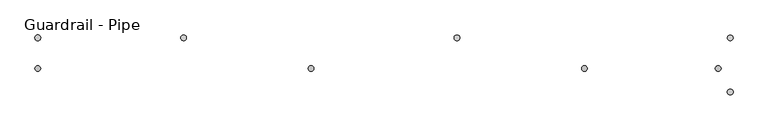
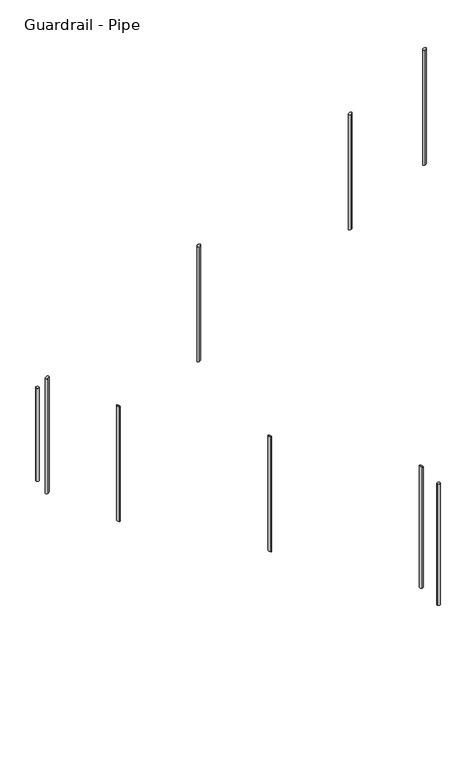
"""IFC4 building model written with IfcOpenShell, lengths in millimetres: railing geometry, Guardrail - Pipe."""

from ifc_helpers import new_model, si_unit, point, frame, frame_2d, origin, place, context, project, spatial, circle_curve, ellipse_curve, trimmed, segment, composite_curve, outline, extrude, source, transform, mapped, element, save
from ifc_brep_helpers import plane_surface, cylinder_surface, advanced_brep


def guardrail_pipe_45b67d8b(model_context):
    return source(origin(), model_context, "Body", "SolidModel", [
        advanced_brep(
        [(-11206.6112561, 2649.7404418, 8295.9949055), (-11206.6112561, 2624.3404418, 8295.9949055), (-11206.6112561, 2624.3404418, 7322.7843071), (-11206.6112561, 2649.7404418, 7322.7843071)],
        [
            (0, 1, ellipse_curve(frame((-11206.6112561, 2637.0404418, 8295.9949055), z_axis=(0.49465847024286946, 0.0, -0.8690874511906063), x_axis=(0.8690874511906064, 0.0, 0.49465847024286896)), 14.6130289, 12.7)),
            (1, 2),
            (2, 3, ellipse_curve(frame((-11206.6112561, 2637.0404418, 7322.7843071), z_axis=(-0.4946584702428729, 0.0, 0.8690874511906043), x_axis=(0.8690874511906043, 0.0, 0.4946584702428727)), 14.6130289, 12.7)),
            (3, 0),
            (3, 2, ellipse_curve(frame((-11206.6112561, 2637.0404418, 7322.7843071), z_axis=(-0.4946584702428729, 0.0, 0.8690874511906043), x_axis=(0.8690874511906043, 0.0, 0.4946584702428727)), 14.6130289, 12.7)),
            (1, 0, ellipse_curve(frame((-11206.6112561, 2637.0404418, 8295.9949055), z_axis=(0.49465847024286946, 0.0, -0.8690874511906063), x_axis=(0.8690874511906064, 0.0, 0.49465847024286896)), 14.6130289, 12.7)),
        ],
        [
            cylinder_surface(frame((-11206.6112561, 2637.0404418, 7094.1843071), z_axis=(0.0, 0.0, 1.0), x_axis=(0.0, -1.0, 0.0)), 12.7),
            plane_surface(frame((-11181.2112561, 2611.6404418, 8310.4518225), z_axis=(-0.49465847024286946, 0.0, 0.8690874511906063), x_axis=(0.0, 1.0, 0.0))),
            plane_surface(frame((-11232.0112561, 2611.6404418, 7308.3273901), z_axis=(0.4946584702428729, 0.0, -0.8690874511906043), x_axis=(0.0, 1.0, 0.0))),
        ],
        [
            (0, [[1, 2, 3, 4]]),
            (0, [[5, -2, 6, -4]]),
            (1, [[-6, -1]]),
            (2, [[-5, -3]]),
        ],
    ),
        advanced_brep(
        [(-12425.8112561, 2649.7404418, 7602.0628897), (-12425.8112561, 2624.3404418, 7602.0628897), (-12425.8112561, 2624.3404418, 6628.8522913), (-12425.8112561, 2649.7404418, 6628.8522913)],
        [
            (0, 1, ellipse_curve(frame((-12425.8112561, 2637.0404418, 7602.0628897), z_axis=(0.49465847024286946, 0.0, -0.8690874511906063), x_axis=(0.8690874511906064, 0.0, 0.49465847024286896)), 14.6130289, 12.7)),
            (1, 2),
            (2, 3, ellipse_curve(frame((-12425.8112561, 2637.0404418, 6628.8522913), z_axis=(-0.4946584702428729, 0.0, 0.8690874511906043), x_axis=(0.8690874511906043, 0.0, 0.4946584702428727)), 14.6130289, 12.7)),
            (3, 0),
            (3, 2, ellipse_curve(frame((-12425.8112561, 2637.0404418, 6628.8522913), z_axis=(-0.4946584702428729, 0.0, 0.8690874511906043), x_axis=(0.8690874511906043, 0.0, 0.4946584702428727)), 14.6130289, 12.7)),
            (1, 0, ellipse_curve(frame((-12425.8112561, 2637.0404418, 7602.0628897), z_axis=(0.49465847024286946, 0.0, -0.8690874511906063), x_axis=(0.8690874511906064, 0.0, 0.49465847024286896)), 14.6130289, 12.7)),
        ],
        [
            cylinder_surface(frame((-12425.8112561, 2637.0404418, 6400.2522913), z_axis=(0.0, 0.0, 1.0), x_axis=(0.0, -1.0, 0.0)), 12.7),
            plane_surface(frame((-12400.4112561, 2611.6404418, 7616.5198067), z_axis=(-0.49465847024286946, 0.0, 0.8690874511906063), x_axis=(0.0, 1.0, 0.0))),
            plane_surface(frame((-12451.2112561, 2611.6404418, 6614.3953743), z_axis=(0.4946584702428729, 0.0, -0.8690874511906043), x_axis=(0.0, 1.0, 0.0))),
        ],
        [
            (0, [[1, 2, 3, 4]]),
            (0, [[5, -2, 6, -4]]),
            (1, [[-6, -1]]),
            (2, [[-5, -3]]),
        ],
    ),
        advanced_brep(
        [(-12994.2564309, 2761.5151259, 6356.1696497), (-12994.2564309, 2786.9151259, 6356.1696497), (-12994.2564309, 2786.9151259, 5381.9910763), (-12994.2564309, 2761.5151259, 5381.9910763)],
        [
            (0, 1, ellipse_curve(frame((-12994.2564309, 2774.2151259, 6356.1696497), z_axis=(-0.48860650850001314, 0.0, -0.8725042577841249), x_axis=(-0.8725042577841249, 0.0, 0.4886065085000131)), 14.5558029, 12.7)),
            (1, 2),
            (2, 3, ellipse_curve(frame((-12994.2564309, 2774.2151259, 5381.9910763), z_axis=(0.48860650850001475, 0.0, 0.872504257784124), x_axis=(-0.8725042577841241, 0.0, 0.4886065085000147)), 14.5558029, 12.7)),
            (3, 0),
            (3, 2, ellipse_curve(frame((-12994.2564309, 2774.2151259, 5381.9910763), z_axis=(0.48860650850001475, 0.0, 0.872504257784124), x_axis=(-0.8725042577841241, 0.0, 0.4886065085000147)), 14.5558029, 12.7)),
            (1, 0, ellipse_curve(frame((-12994.2564309, 2774.2151259, 6356.1696497), z_axis=(-0.48860650850001314, 0.0, -0.8725042577841249), x_axis=(-0.8725042577841249, 0.0, 0.4886065085000131)), 14.5558029, 12.7)),
        ],
        [
            cylinder_surface(frame((-12994.2564309, 2774.2151259, 5153.3910763), z_axis=(0.0, 0.0, 1.0), x_axis=(0.0, 1.0, 0.0)), 12.7),
            plane_surface(frame((-13019.6564309, 2799.6151259, 6370.3937698), z_axis=(0.48860650850001314, 0.0, 0.8725042577841249), x_axis=(0.0, -1.0, 0.0))),
            plane_surface(frame((-12968.8564309, 2799.6151259, 5367.7669563), z_axis=(-0.48860650850001475, 0.0, -0.872504257784124), x_axis=(0.0, -1.0, 0.0))),
        ],
        [
            (0, [[1, 2, 3, 4]]),
            (0, [[5, -2, 6, -4]]),
            (1, [[-6, -1]]),
            (2, [[-5, -3]]),
        ],
    ),
        advanced_brep(
        [(-11775.0564309, 2761.5151259, 5673.4118868), (-11775.0564309, 2786.9151259, 5673.4118868), (-11775.0564309, 2786.9151259, 4699.2333134), (-11775.0564309, 2761.5151259, 4699.2333134)],
        [
            (0, 1, ellipse_curve(frame((-11775.0564309, 2774.2151259, 5673.4118868), z_axis=(-0.48860650850001314, 0.0, -0.8725042577841249), x_axis=(-0.8725042577841249, 0.0, 0.4886065085000131)), 14.5558029, 12.7)),
            (1, 2),
            (2, 3, ellipse_curve(frame((-11775.0564309, 2774.2151259, 4699.2333134), z_axis=(0.48860650850001475, 0.0, 0.872504257784124), x_axis=(-0.8725042577841241, 0.0, 0.4886065085000147)), 14.5558029, 12.7)),
            (3, 0),
            (3, 2, ellipse_curve(frame((-11775.0564309, 2774.2151259, 4699.2333134), z_axis=(0.48860650850001475, 0.0, 0.872504257784124), x_axis=(-0.8725042577841241, 0.0, 0.4886065085000147)), 14.5558029, 12.7)),
            (1, 0, ellipse_curve(frame((-11775.0564309, 2774.2151259, 5673.4118868), z_axis=(-0.48860650850001314, 0.0, -0.8725042577841249), x_axis=(-0.8725042577841249, 0.0, 0.4886065085000131)), 14.5558029, 12.7)),
        ],
        [
            cylinder_surface(frame((-11775.0564309, 2774.2151259, 4470.6333134), z_axis=(0.0, 0.0, 1.0), x_axis=(0.0, 1.0, 0.0)), 12.7),
            plane_surface(frame((-11800.4564309, 2799.6151259, 5687.6360069), z_axis=(0.48860650850001314, 0.0, 0.8725042577841249), x_axis=(0.0, -1.0, 0.0))),
            plane_surface(frame((-11749.6564309, 2799.6151259, 4685.0091934), z_axis=(-0.48860650850001475, 0.0, -0.872504257784124), x_axis=(0.0, -1.0, 0.0))),
        ],
        [
            (0, [[1, 2, 3, 4]]),
            (0, [[5, -2, 6, -4]]),
            (1, [[-6, -1]]),
            (2, [[-5, -3]]),
        ],
    ),
        advanced_brep(
        [(-13645.0112561, 2649.7404418, 6908.1308739), (-13645.0112561, 2624.3404418, 6908.1308739), (-13645.0112561, 2624.3404418, 5934.9202755), (-13645.0112561, 2649.7404418, 5934.9202755)],
        [
            (0, 1, ellipse_curve(frame((-13645.0112561, 2637.0404418, 6908.1308739), z_axis=(0.49465847024286946, 0.0, -0.8690874511906063), x_axis=(0.8690874511906064, 0.0, 0.49465847024286896)), 14.6130289, 12.7)),
            (1, 2),
            (2, 3, ellipse_curve(frame((-13645.0112561, 2637.0404418, 5934.9202755), z_axis=(-0.4946584702428729, 0.0, 0.8690874511906043), x_axis=(0.8690874511906043, 0.0, 0.4946584702428727)), 14.6130289, 12.7)),
            (3, 0),
            (3, 2, ellipse_curve(frame((-13645.0112561, 2637.0404418, 5934.9202755), z_axis=(-0.4946584702428729, 0.0, 0.8690874511906043), x_axis=(0.8690874511906043, 0.0, 0.4946584702428727)), 14.6130289, 12.7)),
            (1, 0, ellipse_curve(frame((-13645.0112561, 2637.0404418, 6908.1308739), z_axis=(0.49465847024286946, 0.0, -0.8690874511906063), x_axis=(0.8690874511906064, 0.0, 0.49465847024286896)), 14.6130289, 12.7)),
        ],
        [
            cylinder_surface(frame((-13645.0112561, 2637.0404418, 5706.3202755), z_axis=(0.0, 0.0, 1.0), x_axis=(0.0, -1.0, 0.0)), 12.7),
            plane_surface(frame((-13619.6112561, 2611.6404418, 6922.5877909), z_axis=(-0.49465847024286946, 0.0, 0.8690874511906063), x_axis=(0.0, 1.0, 0.0))),
            plane_surface(frame((-13670.4112561, 2611.6404418, 5920.4633585), z_axis=(0.4946584702428729, 0.0, -0.8690874511906043), x_axis=(0.0, 1.0, 0.0))),
        ],
        [
            (0, [[1, 2, 3, 4]]),
            (0, [[5, -2, 6, -4]]),
            (1, [[-6, -1]]),
            (2, [[-5, -3]]),
        ],
    ),
        extrude(outline(composite_curve([segment(trimmed(circle_curve(frame_2d((-13645.0112561, 2774.2151259)), 12.7), [point((-13657.7112561, 2774.2151259))], [point((-13632.3112561, 2774.2151259))], False, "CARTESIAN"), True, "CONTINUOUS"), segment(trimmed(circle_curve(frame_2d((-13645.0112561, 2774.2151259)), 12.7), [point((-13632.3112561, 2774.2151259))], [point((-13657.7112561, 2774.2151259))], False, "CARTESIAN"), True, "CONTINUOUS")], self_intersect=False)), frame((0.0, 0.0, 5951.6634209), z_axis=(0.0, 0.0, 1.0), x_axis=(1.0, 0.0, 0.0)), (0.0, 0.0, 1.0), 788.7235356),
        advanced_brep(
        [(-10555.8564309, 2761.5151259, 4990.6541239), (-10555.8564309, 2786.9151259, 4990.6541239), (-10555.8564309, 2786.9151259, 3962.4), (-10555.8564309, 2761.5151259, 3962.4)],
        [
            (0, 1, ellipse_curve(frame((-10555.8564309, 2774.2151259, 4990.6541239), z_axis=(-0.48860650850001314, 0.0, -0.8725042577841249), x_axis=(-0.8725042577841249, 0.0, 0.4886065085000131)), 14.5558029, 12.7)),
            (1, 2),
            (2, 3, circle_curve(frame((-10555.8564309, 2774.2151259, 3962.4), z_axis=(0.0, 0.0, 1.0), x_axis=(0.0, 1.0, 0.0)), 12.7)),
            (3, 0),
            (3, 2, circle_curve(frame((-10555.8564309, 2774.2151259, 3962.4), z_axis=(0.0, 0.0, 1.0), x_axis=(0.0, 1.0, 0.0)), 12.7)),
            (1, 0, ellipse_curve(frame((-10555.8564309, 2774.2151259, 4990.6541239), z_axis=(-0.48860650850001314, 0.0, -0.8725042577841249), x_axis=(-0.8725042577841249, 0.0, 0.4886065085000131)), 14.5558029, 12.7)),
        ],
        [
            cylinder_surface(frame((-10555.8564309, 2774.2151259, 3733.8), z_axis=(0.0, 0.0, 1.0), x_axis=(0.0, 1.0, 0.0)), 12.7),
            plane_surface(frame((-10581.2564309, 2799.6151259, 5004.878244), z_axis=(0.48860650850001314, 0.0, 0.8725042577841249), x_axis=(0.0, -1.0, 0.0))),
            plane_surface(frame((-10530.4564309, 2799.6151259, 3962.4), z_axis=(0.0, 0.0, -1.0), x_axis=(0.0, -1.0, 0.0))),
        ],
        [
            (0, [[1, 2, 3, 4]]),
            (0, [[5, -2, 6, -4]]),
            (1, [[-6, -1]]),
            (2, [[-5, -3]]),
        ],
    ),
        advanced_brep(
        [(-10609.7112561, 2649.7404418, 8635.7324549), (-10609.7112561, 2624.3404418, 8635.7324549), (-10609.7112561, 2624.3404418, 7662.5218565), (-10609.7112561, 2649.7404418, 7662.5218565)],
        [
            (0, 1, ellipse_curve(frame((-10609.7112561, 2637.0404418, 8635.7324549), z_axis=(0.49465847024286946, 0.0, -0.8690874511906063), x_axis=(0.8690874511906064, 0.0, 0.49465847024286896)), 14.6130289, 12.7)),
            (1, 2),
            (2, 3, ellipse_curve(frame((-10609.7112561, 2637.0404418, 7662.5218565), z_axis=(-0.4946584702428729, 0.0, 0.8690874511906043), x_axis=(0.8690874511906043, 0.0, 0.4946584702428727)), 14.6130289, 12.7)),
            (3, 0),
            (3, 2, ellipse_curve(frame((-10609.7112561, 2637.0404418, 7662.5218565), z_axis=(-0.4946584702428729, 0.0, 0.8690874511906043), x_axis=(0.8690874511906043, 0.0, 0.4946584702428727)), 14.6130289, 12.7)),
            (1, 0, ellipse_curve(frame((-10609.7112561, 2637.0404418, 8635.7324549), z_axis=(0.49465847024286946, 0.0, -0.8690874511906063), x_axis=(0.8690874511906064, 0.0, 0.49465847024286896)), 14.6130289, 12.7)),
        ],
        [
            cylinder_surface(frame((-10609.7112561, 2637.0404418, 7433.9218565), z_axis=(0.0, 0.0, 1.0), x_axis=(0.0, -1.0, 0.0)), 12.7),
            plane_surface(frame((-10584.3112561, 2611.6404418, 8650.1893719), z_axis=(-0.49465847024286946, 0.0, 0.8690874511906063), x_axis=(0.0, 1.0, 0.0))),
            plane_surface(frame((-10635.1112561, 2611.6404418, 7648.0649395), z_axis=(0.4946584702428729, 0.0, -0.8690874511906043), x_axis=(0.0, 1.0, 0.0))),
        ],
        [
            (0, [[1, 2, 3, 4]]),
            (0, [[5, -2, 6, -4]]),
            (1, [[-6, -1]]),
            (2, [[-5, -3]]),
        ],
    ),
        extrude(outline(composite_curve([segment(trimmed(circle_curve(frame_2d((-10555.8564309, 2532.9151259)), 12.7), [point((-10543.1564309, 2532.9151259))], [point((-10568.5564309, 2532.9151259))], False, "CARTESIAN"), True, "CONTINUOUS"), segment(trimmed(circle_curve(frame_2d((-10555.8564309, 2532.9151259)), 12.7), [point((-10568.5564309, 2532.9151259))], [point((-10543.1564309, 2532.9151259))], False, "CARTESIAN"), True, "CONTINUOUS")], self_intersect=False)), frame((0.0, 0.0, 3962.4), z_axis=(0.0, 0.0, 1.0), x_axis=(1.0, 0.0, 0.0)), (0.0, 0.0, 1.0), 1028.7),
    ])


if __name__ == "__main__":
    model = new_model("IFC4")
    model_context = context("Model", 3, world=origin())
    ifc_project = project(units=[si_unit("LENGTHUNIT", "METRE", prefix="MILLI")], contexts=[model_context])
    site = spatial("IfcSite", under=ifc_project)
    building = spatial("IfcBuilding", under=site)
    placement = place(None, origin())
    guardrail_pipe_shape = guardrail_pipe_45b67d8b(model_context)
    element("IfcRailing", 1, ObjectType="Guardrail - Pipe", at=placement, inside=building, context=model_context, shape_type="MappedRepresentation", body=[
        mapped(guardrail_pipe_shape, transform((0.0, 0.0, 0.0), x_axis=(1.0, 0.0, 0.0), y_axis=(0.0, 1.0, 0.0), z_axis=(0.0, 0.0, 1.0))),
    ])
    save(model, "model.ifc")
